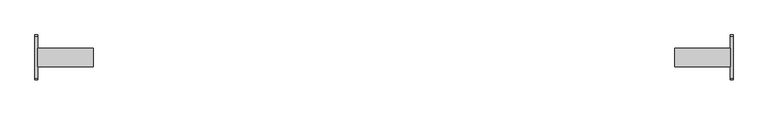
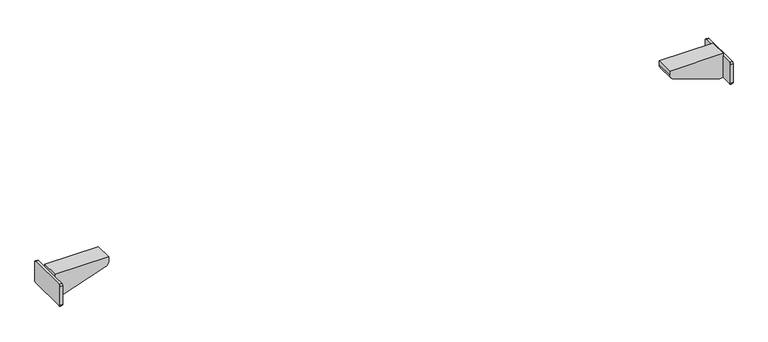
"""IFC4 building model written with IfcOpenShell, lengths in millimetres: furniture geometry."""

import ifcopenshell
import ifcopenshell.guid

model = None  # the IFC model being written
_history = None  # IfcOwnerHistory: only IFC2X3 demands one
_inside = {}  # id of a spatial element -> (the spatial element, [elements in it])
_under = {}  # id of a project, library or spatial element -> (it, [spatial elements below it])
_declared = {}  # id of a project -> (the project, [libraries it declares])
_typed = {}  # id of a type object -> (the type object, [elements of that type])
_made_of = {}  # id of a material, layer set ... -> (it, [elements and type objects made of it])


def new_model(schema):
    """Start an empty IFC model of exactly this schema.

    Asked for "IFC4X3", IfcOpenShell would pick the latest addendum, in which some entities
    have other attributes; the version numbers below select the first issue.
    IFC2X3 requires an IfcOwnerHistory on every rooted entity: one is made here for all.
    """
    global model, _history
    if schema == "IFC4X3":
        model = ifcopenshell.file(schema_version=(4, 3, 0, 0))
    else:
        model = ifcopenshell.file(schema=schema)
    _inside.clear()
    _under.clear()
    _declared.clear()
    _typed.clear()
    _made_of.clear()
    _history = None
    if model.schema == "IFC2X3":
        org = make("IfcOrganization", Name="unknown")
        user = make(
            "IfcPersonAndOrganization",
            ThePerson=make("IfcPerson", FamilyName="unknown"),
            TheOrganization=org,
        )
        app = make(
            "IfcApplication",
            ApplicationDeveloper=org,
            Version="unknown",
            ApplicationFullName="unknown",
            ApplicationIdentifier="unknown",
        )
        _history = make(
            "IfcOwnerHistory",
            OwningUser=user,
            OwningApplication=app,
            ChangeAction="ADDED",
            CreationDate=0,
        )
    return model


def make(cls, **values):
    """One entity of the class cls with the attributes given. An attribute that is None is left unset."""
    return model.create_entity(
        cls, **{name: value for name, value in values.items() if value is not None}
    )


def rooted(cls, **values):
    """An entity with a GlobalId (a new one), such as an element, a storey or a relation."""
    return make(cls, GlobalId=ifcopenshell.guid.new(), OwnerHistory=_history, **values)


def si_unit(unit_type, name, prefix=None):
    """IfcSIUnit, for example si_unit("LENGTHUNIT", "METRE", prefix="MILLI")."""
    return make("IfcSIUnit", UnitType=unit_type, Prefix=prefix, Name=name)


def assignment(units):
    """IfcUnitAssignment: the units of a project."""
    return None if units is None else make("IfcUnitAssignment", Units=units)


def point(xyz):
    """IfcCartesianPoint."""
    return None if xyz is None else make("IfcCartesianPoint", Coordinates=xyz)


def direction(xyz):
    """IfcDirection."""
    return None if xyz is None else make("IfcDirection", DirectionRatios=xyz)


def frame(location, z_axis=None, x_axis=None):
    """IfcAxis2Placement3D, a coordinate frame: its origin and axes. An axis left out is left unset."""
    return make(
        "IfcAxis2Placement3D",
        Location=point(location),
        Axis=direction(z_axis),
        RefDirection=direction(x_axis),
    )


def frame_2d(location, x_axis=None):
    """IfcAxis2Placement2D, a coordinate frame in the plane: its origin and x axis."""
    return make(
        "IfcAxis2Placement2D", Location=point(location), RefDirection=direction(x_axis)
    )


def origin():
    """The frame at (0, 0, 0) with its axes left unset."""
    return frame((0.0, 0.0, 0.0))


def place(relative_to, where):
    """IfcLocalPlacement: puts the frame where relative to a parent placement (None: the world)."""
    return make(
        "IfcLocalPlacement", PlacementRelTo=relative_to, RelativePlacement=where
    )


def context(
    kind, dimensions, precision=None, world=None, true_north=None, identifier=None
):
    """IfcGeometricRepresentationContext, for example the 3D "Model" context."""
    return make(
        "IfcGeometricRepresentationContext",
        ContextIdentifier=identifier,
        ContextType=kind,
        CoordinateSpaceDimension=dimensions,
        Precision=precision,
        WorldCoordinateSystem=world,
        TrueNorth=true_north,
    )


def project(units=None, contexts=None):
    """IfcProject with its units and contexts."""
    return rooted(
        "IfcProject",
        Name="project",
        RepresentationContexts=contexts,
        UnitsInContext=assignment(units),
    )


def spatial(cls, under=None, at=None, **own):
    """A site, building, storey or space (cls), placed at a placement, below another one or the project."""
    s = rooted(cls, ObjectPlacement=at, **own)
    if under is not None:
        _under.setdefault(under.id(), (under, []))[1].append(s)
    return s


def polyline(points):
    """IfcPolyline through the points."""
    return make("IfcPolyline", Points=[point(p) for p in points])


def circle_curve(where, radius):
    """IfcCircle in the frame where."""
    return make("IfcCircle", Position=where, Radius=radius)


def trimmed(basis, trim1, trim2, sense, master):
    """IfcTrimmedCurve: the piece of a basis curve between two trims."""
    return make(
        "IfcTrimmedCurve",
        BasisCurve=basis,
        Trim1=trim1,
        Trim2=trim2,
        SenseAgreement=sense,
        MasterRepresentation=master,
    )


def segment(curve, same_sense, transition):
    """IfcCompositeCurveSegment."""
    return make(
        "IfcCompositeCurveSegment",
        Transition=transition,
        SameSense=same_sense,
        ParentCurve=curve,
    )


def composite_curve(segments, self_intersect=None):
    """IfcCompositeCurve: segments joined end to end."""
    return make("IfcCompositeCurve", Segments=segments, SelfIntersect=self_intersect)


def outline(outer, holes=None, kind="AREA"):
    """IfcArbitraryClosedProfileDef: a profile drawn as a closed curve; with holes, ...WithVoids."""
    if holes is None:
        return make("IfcArbitraryClosedProfileDef", ProfileType=kind, OuterCurve=outer)
    return make(
        "IfcArbitraryProfileDefWithVoids",
        ProfileType=kind,
        OuterCurve=outer,
        InnerCurves=holes,
    )


def extrude(swept, where, along, depth):
    """IfcExtrudedAreaSolid: the profile swept, set in the frame where, extruded along a direction by depth."""
    return make(
        "IfcExtrudedAreaSolid",
        SweptArea=swept,
        Position=where,
        ExtrudedDirection=direction(along),
        Depth=depth,
    )


def shape(context_of_items, identifier, shape_type, items):
    """IfcShapeRepresentation: the items that make up one representation, for example the "Body"."""
    return make(
        "IfcShapeRepresentation",
        ContextOfItems=context_of_items,
        RepresentationIdentifier=identifier,
        RepresentationType=shape_type,
        Items=items,
    )


def source(mapping_origin, context_of_items, identifier, shape_type, items):
    """IfcRepresentationMap: a shape defined once, which mapped items show again and again."""
    return make(
        "IfcRepresentationMap",
        MappingOrigin=mapping_origin,
        MappedRepresentation=shape(context_of_items, identifier, shape_type, items),
    )


def transform(
    local_origin,
    x_axis=None,
    y_axis=None,
    z_axis=None,
    scale=None,
    scale2=None,
    scale3=None,
    uniform=True,
):
    """IfcCartesianTransformationOperator3D, or its non-uniform kind. x_axis, y_axis, z_axis: its Axis1, 2, 3."""
    if uniform:
        return make(
            "IfcCartesianTransformationOperator3D",
            Axis1=direction(x_axis),
            Axis2=direction(y_axis),
            LocalOrigin=point(local_origin),
            Scale=scale,
            Axis3=direction(z_axis),
        )
    return make(
        "IfcCartesianTransformationOperator3DnonUniform",
        Axis1=direction(x_axis),
        Axis2=direction(y_axis),
        LocalOrigin=point(local_origin),
        Scale=scale,
        Axis3=direction(z_axis),
        Scale2=scale2,
        Scale3=scale3,
    )


def mapped(mapping_source, mapping_target):
    """IfcMappedItem: shows the shape of a source again, moved by a transform."""
    return make(
        "IfcMappedItem", MappingSource=mapping_source, MappingTarget=mapping_target
    )


def made_of(thing, what):
    """Note that an element or type object is made of a material, layer set ...; save() writes the relation."""
    if what is not None:
        _made_of.setdefault(what.id(), (what, []))[1].append(thing)
    return thing


def element(
    cls,
    number,
    at=None,
    inside=None,
    cuts=None,
    type_object=None,
    material=None,
    context=None,
    identifier="Body",
    shape_type=None,
    held_by="IfcProductDefinitionShape",
    body=None,
    shapes=None,
    **own,
):
    """One element of the class cls, such as IfcWall. Its Tag is "e" and its number.

    at: its placement. inside: the storey or other place that contains it. cuts: it is an
    opening in that element (IfcRelVoidsElement). A single representation is given by context,
    identifier, shape_type and body (its items); several are given by shapes. held_by: the class
    of the entity that holds the representations. save() writes the other relations.
    """
    e = rooted(cls, Tag="e%d" % number, ObjectPlacement=at, **own)
    if body is not None:
        shapes = [shape(context, identifier, shape_type, body)]
    if shapes is not None:
        e.Representation = make(held_by, Representations=shapes)
    if inside is not None:
        _inside.setdefault(inside.id(), (inside, []))[1].append(e)
    if cuts is not None:
        rooted(
            "IfcRelVoidsElement", RelatingBuildingElement=cuts, RelatedOpeningElement=e
        )
    if type_object is not None:
        _typed.setdefault(type_object.id(), (type_object, []))[1].append(e)
    return made_of(e, material)


def aggregate(whole, parts):
    """IfcRelAggregates: a whole, such as a stair, and the parts it consists of."""
    return rooted("IfcRelAggregates", RelatingObject=whole, RelatedObjects=parts)


def save(model, path):
    """Write the relations noted so far, then the file.

    IfcRelAggregates (storeys below a building ...), IfcRelContainedInSpatialStructure (elements
    in a storey), IfcRelDefinesByType, IfcRelAssociatesMaterial and IfcRelDeclares: one each for
    every whole, place, type object, material and project.
    """
    for whole, parts in _under.values():
        aggregate(whole, parts)
    for where, things in _inside.values():
        rooted(
            "IfcRelContainedInSpatialStructure",
            RelatedElements=things,
            RelatingStructure=where,
        )
    for kind, things in _typed.values():
        rooted("IfcRelDefinesByType", RelatedObjects=things, RelatingType=kind)
    for what, things in _made_of.values():
        rooted("IfcRelAssociatesMaterial", RelatedObjects=things, RelatingMaterial=what)
    for by, libraries in _declared.values():
        rooted("IfcRelDeclares", RelatingContext=by, RelatedDefinitions=libraries)
    model.write(path)


def plane_surface(at):
    """IfcPlane: the flat surface through the origin of the frame at, square to its z axis."""
    return make("IfcPlane", Position=at)


def cylinder_surface(at, radius):
    """IfcCylindricalSurface: all points at the distance radius from the z axis of the frame at."""
    return make("IfcCylindricalSurface", Position=at, Radius=radius)


def advanced_brep(points, edges, surfaces, faces):
    """IfcAdvancedBrep: a solid bounded by faces that lie on surfaces and meet in shared edges.

    An edge is (start, end): straight between two places in points (the first is 0);
    or (start, end, curve); or (start, end, curve, False) where it runs against its curve.
    A face is (place in surfaces, loops), or (place, loops, False) where it looks against
    its surface's normal. A loop lists edges by number (the first is 1), with a minus sign
    where the edge is run from its end to its start. The first loop is the outer one.
    """
    corners = [point(p) for p in points]
    vertices = [make("IfcVertexPoint", VertexGeometry=c) for c in corners]
    made = []
    for start, end, *more in edges:
        made.append(
            make(
                "IfcEdgeCurve",
                EdgeStart=vertices[start],
                EdgeEnd=vertices[end],
                EdgeGeometry=more[0] if more else make("IfcPolyline", Points=[corners[start], corners[end]]),
                SameSense=more[1] if len(more) > 1 else True,
            )
        )
    hull = []
    for where, loops, *sense in faces:
        bounds = []
        for j, loop in enumerate(loops):
            ring = [make("IfcOrientedEdge", EdgeElement=made[abs(k) - 1], Orientation=k > 0) for k in loop]
            bounds.append(
                make(
                    "IfcFaceOuterBound" if j == 0 else "IfcFaceBound",
                    Bound=make("IfcEdgeLoop", EdgeList=ring),
                    Orientation=True,
                )
            )
        hull.append(make("IfcAdvancedFace", Bounds=bounds, FaceSurface=surfaces[where], SameSense=sense[0] if sense else True))
    return make("IfcAdvancedBrep", Outer=make("IfcClosedShell", CfsFaces=hull))


def furniture_0a4f3138(model_context):
    return source(origin(), model_context, "Body", "SolidModel", [
        extrude(outline(composite_curve([segment(trimmed(circle_curve(frame_2d((39.4809876, 521.7409876)), 3.0190124), [point((39.4809876, 524.76))], [point((42.5, 521.7409876))], False, "CARTESIAN"), True, "CONTINUOUS"), segment(polyline([(42.5, 521.7409876), (42.5, 482.9866625)]), True, "CONTINUOUS"), segment(trimmed(circle_curve(frame_2d((39.5133375, 482.9866625)), 2.9866625), [point((42.5, 482.9866625))], [point((39.5133375, 480.0))], False, "CARTESIAN"), True, "CONTINUOUS"), segment(polyline([(39.5133375, 480.0), (-39.4675388, 480.0)]), True, "CONTINUOUS"), segment(trimmed(circle_curve(frame_2d((-39.4675388, 483.0324612)), 3.0324612), [point((-39.4675388, 480.0))], [point((-42.5, 483.0324612))], False, "CARTESIAN"), True, "CONTINUOUS"), segment(polyline([(-42.5, 483.0324612), (-42.5, 521.76)]), True, "CONTINUOUS"), segment(trimmed(circle_curve(frame_2d((-39.5, 521.76)), 3.0), [point((-42.5, 521.76))], [point((-39.5, 524.76))], False, "CARTESIAN"), True, "CONTINUOUS"), segment(polyline([(-39.5, 524.76), (39.4809876, 524.76)]), True, "CONTINUOUS")], self_intersect=False)), frame((654.7599968, 0.0, 0.0), z_axis=(1.0, 0.0, 0.0), x_axis=(0.0, 1.0, 0.0)), (0.0, 0.0, 1.0), 5.24),
        extrude(outline(composite_curve([segment(polyline([(511.6677828, 556.7222698), (480.0, 647.9999968), (480.0, 654.7599968), (530.0, 654.7599968), (530.0, 549.9999968), (521.115349, 549.9999968)]), True, "CONTINUOUS"), segment(trimmed(circle_curve(frame_2d((521.115349, 559.9999968)), 10.0), [point((521.115349, 549.9999968))], [point((511.6677828, 556.7222698))], False, "CARTESIAN"), True, "CONTINUOUS")], self_intersect=False)), frame((0.0, -17.5, 0.0), z_axis=(0.0, 1.0, 0.0), x_axis=(0.0, 0.0, 1.0)), (0.0, 0.0, 1.0), 35.0),
        advanced_brep(
        [(-556.7222698, -17.5, 511.6677828), (-549.9999968, -17.5, 521.115349), (-549.9999968, -17.5, 530.0), (-654.7599968, -17.5, 530.0), (-654.7599968, -17.5, 524.76), (-654.7599968, -17.5, 480.0), (-647.9999968, -17.5, 480.0), (-556.7222698, 17.5, 511.6677828), (-647.9999968, 17.5, 480.0), (-654.7599968, 17.5, 480.0), (-654.7599968, 17.5, 524.76), (-654.7599968, 17.5, 530.0), (-549.9999968, 17.5, 530.0), (-549.9999968, 17.5, 521.115349), (-654.7599968, -39.4675388, 480.0), (-659.9999968, -39.4675388, 480.0), (-659.9999968, 39.5133375, 480.0), (-654.7599968, 39.5133375, 480.0), (-654.7599968, -39.5, 524.76), (-654.7599968, -42.5, 521.76), (-654.7599968, -42.5, 483.0324612), (-654.7599968, 42.5, 482.9866625), (-654.7599968, 42.5, 521.7409876), (-654.7599968, 39.4809876, 524.76), (-659.9999968, 39.4809876, 524.76), (-659.9999968, 42.5, 521.7409876), (-659.9999968, 42.5, 482.9866625), (-659.9999968, -42.5, 483.0324612), (-659.9999968, -42.5, 521.76), (-659.9999968, -39.5, 524.76)],
        [
            (0, 1, circle_curve(frame((-559.9999968, -17.5, 521.115349), z_axis=(0.0, -1.0, 0.0), x_axis=(1.0, 0.0, 0.0)), 10.0)),
            (1, 2),
            (2, 3),
            (3, 4),
            (4, 5),
            (5, 6),
            (6, 0),
            (7, 8),
            (8, 9),
            (9, 10),
            (10, 11),
            (11, 12),
            (12, 13),
            (13, 7, circle_curve(frame((-559.9999968, 17.5, 521.115349), z_axis=(0.0, 1.0, 0.0), x_axis=(1.0, 0.0, 0.0)), 10.0)),
            (0, 7),
            (13, 1),
            (12, 2),
            (11, 3),
            (10, 4),
            (5, 14),
            (14, 15),
            (15, 16),
            (16, 17),
            (17, 9),
            (8, 6),
            (18, 19, circle_curve(frame((-654.7599968, -39.5, 521.76), z_axis=(1.0, 0.0, 0.0), x_axis=(0.0, 1.0, 0.0)), 3.0)),
            (19, 20),
            (20, 14, circle_curve(frame((-654.7599968, -39.4675388, 483.0324612), z_axis=(1.0, 0.0, 0.0), x_axis=(0.0, 1.0, 0.0)), 3.0324612)),
            (4, 18),
            (17, 21, circle_curve(frame((-654.7599968, 39.5133375, 482.9866625), z_axis=(1.0, 0.0, 0.0), x_axis=(0.0, 1.0, 0.0)), 2.9866625)),
            (21, 22),
            (22, 23, circle_curve(frame((-654.7599968, 39.4809876, 521.7409876), z_axis=(1.0, 0.0, 0.0), x_axis=(0.0, 1.0, 0.0)), 3.0190124)),
            (23, 10),
            (24, 25, circle_curve(frame((-659.9999968, 39.4809876, 521.7409876), z_axis=(-1.0, 0.0, 0.0), x_axis=(0.0, 1.0, 0.0)), 3.0190124)),
            (25, 26),
            (26, 16, circle_curve(frame((-659.9999968, 39.5133375, 482.9866625), z_axis=(-1.0, 0.0, 0.0), x_axis=(0.0, 1.0, 0.0)), 2.9866625)),
            (15, 27, circle_curve(frame((-659.9999968, -39.4675388, 483.0324612), z_axis=(-1.0, 0.0, 0.0), x_axis=(0.0, 1.0, 0.0)), 3.0324612)),
            (27, 28),
            (28, 29, circle_curve(frame((-659.9999968, -39.5, 521.76), z_axis=(-1.0, 0.0, 0.0), x_axis=(0.0, 1.0, 0.0)), 3.0)),
            (29, 24),
            (29, 18),
            (23, 24),
            (28, 19),
            (27, 20),
            (26, 21),
            (25, 22),
        ],
        [
            plane_surface(frame((-549.9999968, -17.5, 521.115349), z_axis=(0.0, -1.0, 0.0), x_axis=(0.0, 0.0, 1.0))),
            plane_surface(frame((-549.9999968, 17.5, 521.115349), z_axis=(0.0, 1.0, 0.0), x_axis=(0.0, 0.0, -1.0))),
            cylinder_surface(frame((-559.9999968, 17.5, 521.115349), z_axis=(0.0, -1.0, 0.0), x_axis=(1.0, 0.0, 0.0)), 10.0),
            plane_surface(frame((-549.9999968, -17.5, 521.115349), z_axis=(1.0, 0.0, 0.0), x_axis=(0.0, 1.0, 0.0))),
            plane_surface(frame((-549.9999968, -17.5, 530.0), z_axis=(0.0, 0.0, 1.0), x_axis=(0.0, 1.0, 0.0))),
            plane_surface(frame((-654.7599968, -17.5, 530.0), z_axis=(-1.0, 0.0, 0.0), x_axis=(0.0, 1.0, 0.0))),
            plane_surface(frame((-654.7599968, -17.5, 480.0), z_axis=(0.0, 0.0, -1.0), x_axis=(0.0, 1.0, 0.0))),
            plane_surface(frame((-647.9999968, -17.5, 480.0), z_axis=(0.327772702093898, 0.0, -0.9447566119176223), x_axis=(0.0, 1.0, 0.0))),
            plane_surface(frame((-654.7599968, -39.5, 524.76), z_axis=(1.0, 0.0, 0.0), x_axis=(0.0, -1.0, 0.0))),
            plane_surface(frame((-659.9999968, -39.5, 524.76), z_axis=(-1.0, 0.0, 0.0), x_axis=(0.0, 1.0, 0.0))),
            plane_surface(frame((-654.7599968, 39.4809876, 524.76), z_axis=(0.0, 0.0, 1.0), x_axis=(-1.0, 0.0, 0.0))),
            cylinder_surface(frame((-659.9999968, -39.5, 521.76), z_axis=(1.0, 0.0, 0.0), x_axis=(0.0, 1.0, 0.0)), 3.0),
            plane_surface(frame((-654.7599968, -42.5, 521.76), z_axis=(0.0, -1.0, 0.0), x_axis=(-1.0, 0.0, 0.0))),
            cylinder_surface(frame((-659.9999968, -39.4675388, 483.0324612), z_axis=(1.0, 0.0, 0.0), x_axis=(0.0, 1.0, 0.0)), 3.0324612),
            cylinder_surface(frame((-659.9999968, 39.5133375, 482.9866625), z_axis=(1.0, 0.0, 0.0), x_axis=(0.0, 1.0, 0.0)), 2.9866625),
            plane_surface(frame((-654.7599968, 42.5, 482.9866625), z_axis=(0.0, 1.0, 0.0), x_axis=(-1.0, 0.0, 0.0))),
            cylinder_surface(frame((-659.9999968, 39.4809876, 521.7409876), z_axis=(1.0, 0.0, 0.0), x_axis=(0.0, 1.0, 0.0)), 3.0190124),
        ],
        [
            (0, [[1, 2, 3, 4, 5, 6, 7]]),
            (1, [[8, 9, 10, 11, 12, 13, 14]]),
            (2, [[-1, 15, -14, 16]]),
            (3, [[-2, -16, -13, 17]]),
            (4, [[-3, -17, -12, 18]]),
            (5, [[-18, -11, 19, -4]]),
            (6, [[-6, 20, 21, 22, 23, 24, -9, 25]]),
            (7, [[-7, -25, -8, -15]]),
            (8, [[26, 27, 28, -20, -5, 29]]),
            (8, [[30, 31, 32, 33, -10, -24]]),
            (9, [[34, 35, 36, -22, 37, 38, 39, 40]]),
            (10, [[-40, 41, -29, -19, -33, 42]]),
            (11, [[-26, -41, -39, 43]]),
            (12, [[-27, -43, -38, 44]]),
            (13, [[-28, -44, -37, -21]]),
            (14, [[-30, -23, -36, 45]]),
            (15, [[-31, -45, -35, 46]]),
            (16, [[-32, -46, -34, -42]]),
        ],
    ),
    ])


if __name__ == "__main__":
    model = new_model("IFC4")
    model_context = context("Model", 3, world=origin())
    ifc_project = project(units=[si_unit("LENGTHUNIT", "METRE", prefix="MILLI")], contexts=[model_context])
    site = spatial("IfcSite", under=ifc_project)
    building = spatial("IfcBuilding", under=site)
    placement = place(None, origin())
    furniture_shape = furniture_0a4f3138(model_context)
    element("IfcFurniture", 1, at=placement, inside=building, context=model_context, shape_type="MappedRepresentation", body=[
        mapped(furniture_shape, transform((0.0, 0.0, 0.0), x_axis=(1.0, 0.0, 0.0), y_axis=(0.0, 1.0, 0.0), z_axis=(0.0, 0.0, 1.0))),
    ])
    save(model, "model.ifc")
